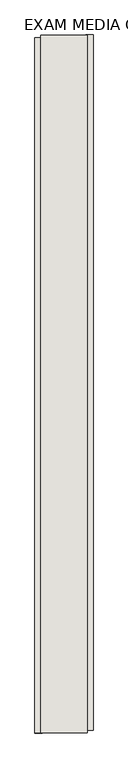
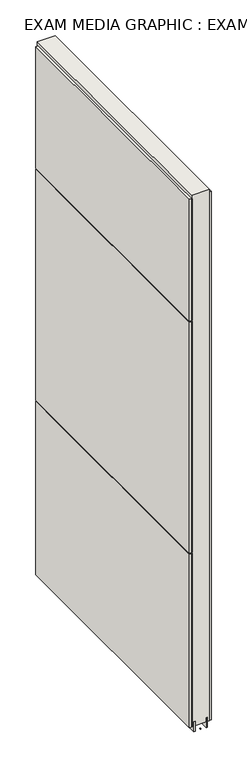
"""IFC4 building model written with IfcOpenShell, lengths in millimetres: wall geometry, EXAM MEDIA GRAPHIC : EXAM MEDIA GRAPHIC."""

from ifc_helpers import new_model, si_unit, frame, origin, place, context, project, spatial, polyline, outline, extrude, source, transform, mapped, element, save


def exam_media_graphic_exam_media_graphic_2932ce2d(model_context):
    return source(origin(), model_context, "Body", "SweptSolid", [
        extrude(outline(polyline([(76405.142211, -55777.5553992), (76405.142211, -55775.0153992), (76407.682211, -55775.0153992), (76407.682211, -55777.5553992), (76405.142211, -55777.5553992)])), frame((0.0, 0.0, 4419.6), z_axis=(0.0, 0.0, 1.0), x_axis=(1.0, 0.0, 0.0)), (0.0, 0.0, 1.0), 2.54),
        extrude(outline(polyline([(76457.212211, -54557.8885726), (76457.212211, -55773.0885806), (76444.512211, -55773.0885806), (76444.512211, -54557.8885726), (76457.212211, -54557.8885726)])), frame((0.0, 0.0, 4445.0), z_axis=(0.0, 0.0, 1.0), x_axis=(1.0, 0.0, 0.0)), (0.0, 0.0, 1.0), 2545.0498756),
        extrude(outline(polyline([(76355.612211, -55778.024715), (76355.612211, -54562.824707), (76368.312211, -54562.824707), (76368.312211, -55778.024715), (76355.612211, -55778.024715)])), frame((0.0, 0.0, 6402.8000722), z_axis=(0.0, 0.0, 1.0), x_axis=(1.0, 0.0, 0.0)), (0.0, 0.0, 1.0), 587.2498034),
        extrude(outline(polyline([(76355.612211, -55778.024715), (76355.612211, -54562.824707), (76368.312211, -54562.824707), (76368.312211, -55778.024715), (76355.612211, -55778.024715)])), frame((0.0, 0.0, 5285.2000722), z_axis=(0.0, 0.0, 1.0), x_axis=(1.0, 0.0, 0.0)), (0.0, 0.0, 1.0), 1113.5999572),
        extrude(outline(polyline([(76355.612211, -55778.024715), (76355.612211, -54562.824707), (76368.312211, -54562.824707), (76368.312211, -55778.024715), (76355.612211, -55778.024715)])), frame((0.0, 0.0, 4445.0), z_axis=(0.0, 0.0, 1.0), x_axis=(1.0, 0.0, 0.0)), (0.0, 0.0, 1.0), 836.200004),
        extrude(outline(polyline([(76431.4959556, -55777.5628414), (76431.4959556, -54558.3628414), (76436.574711, -54558.3628414), (76436.574711, -55777.5628414), (76431.4959556, -55777.5628414)])), frame((0.0, 0.0, 4418.6602), z_axis=(0.0, 0.0, 1.0), x_axis=(1.0, 0.0, 0.0)), (0.0, 0.0, 1.0), 47.625),
        extrude(outline(polyline([(76431.4959556, -55777.5628414), (76431.4959556, -54558.3628414), (76436.574711, -54558.3628414), (76436.574711, -55777.5628414), (76431.4959556, -55777.5628414)])), frame((0.0, 0.0, 4418.6602), z_axis=(0.0, 0.0, 1.0), x_axis=(1.0, 0.0, 0.0)), (0.0, 0.0, 1.0), 47.625),
        extrude(outline(polyline([(76381.3284664, -54558.3628414), (76381.3284664, -55777.5628414), (76376.249711, -55777.5628414), (76376.249711, -54558.3628414), (76381.3284664, -54558.3628414)])), frame((0.0, 0.0, 4418.6602), z_axis=(0.0, 0.0, 1.0), x_axis=(1.0, 0.0, 0.0)), (0.0, 0.0, 1.0), 47.625),
        extrude(outline(polyline([(76381.3284664, -54558.3628414), (76381.3284664, -55777.5628414), (76376.249711, -55777.5628414), (76376.249711, -54558.3628414), (76381.3284664, -54558.3628414)])), frame((0.0, 0.0, 4418.6602), z_axis=(0.0, 0.0, 1.0), x_axis=(1.0, 0.0, 0.0)), (0.0, 0.0, 1.0), 47.625),
        extrude(outline(polyline([(76447.0670954, -55777.5628414), (76365.7573266, -55777.5628414), (76365.7573266, -54558.3628414), (76447.0670954, -54558.3628414), (76447.0670954, -55777.5628414)])), frame((0.0, 0.0, 4445.0), z_axis=(0.0, 0.0, 1.0), x_axis=(1.0, 0.0, 0.0)), (0.0, 0.0, 1.0), 2562.4536762),
    ])


if __name__ == "__main__":
    model = new_model("IFC4")
    model_context = context("Model", 3, world=origin())
    ifc_project = project(units=[si_unit("LENGTHUNIT", "METRE", prefix="MILLI")], contexts=[model_context])
    site = spatial("IfcSite", under=ifc_project)
    building = spatial("IfcBuilding", under=site)
    placement = place(None, origin())
    exam_media_graphic_exam_media_graphic_shape = exam_media_graphic_exam_media_graphic_2932ce2d(model_context)
    element("IfcWall", 1, ObjectType="EXAM MEDIA GRAPHIC : EXAM MEDIA GRAPHIC", at=placement, inside=building, context=model_context, shape_type="MappedRepresentation", body=[
        mapped(exam_media_graphic_exam_media_graphic_shape, transform((0.0, 0.0, 0.0), x_axis=(1.0, 0.0, 0.0), y_axis=(0.0, 1.0, 0.0), z_axis=(0.0, 0.0, 1.0))),
    ])
    save(model, "model.ifc")
